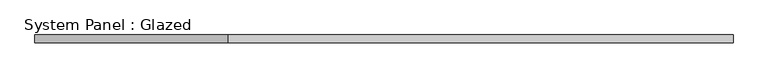
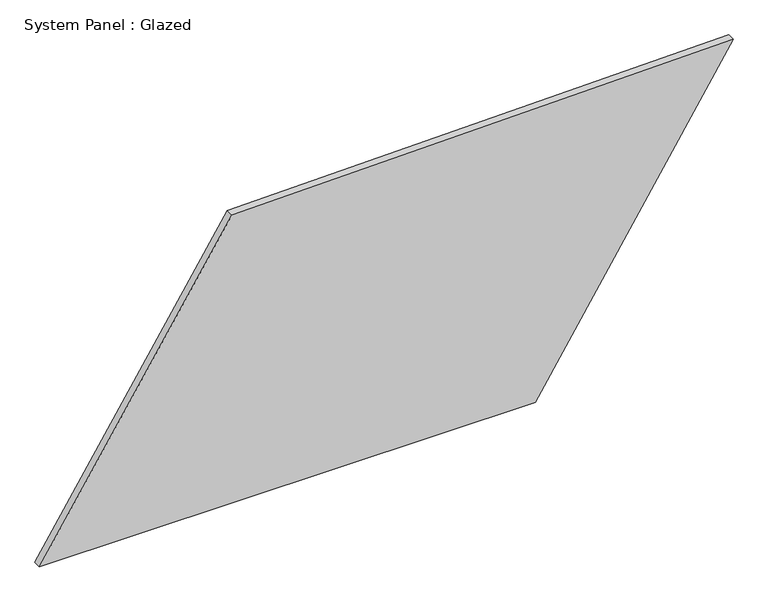
"""IFC4 building model written with IfcOpenShell, lengths in millimetres: plate geometry, System Panel : Glazed."""

from ifc_helpers import new_model, si_unit, frame, origin, place, context, project, spatial, polyline, outline, extrude, source, transform, mapped, element, save


def system_panel_glazed_098c83ca(model_context):
    return source(origin(), model_context, "Body", "SweptSolid", [
        extrude(outline(polyline([(0.0, -1108.1145041), (0.0, 476.7857498), (1006.7293955, 1108.1145041), (973.1531755, -493.6790786), (0.0, -1108.1145041)])), frame((0.0, -49.5, 0.0), z_axis=(0.0, 1.0, 0.0), x_axis=(0.0, 0.0, 1.0)), (0.0, 0.0, 1.0), 25.0),
    ])


if __name__ == "__main__":
    model = new_model("IFC4")
    model_context = context("Model", 3, world=origin())
    ifc_project = project(units=[si_unit("LENGTHUNIT", "METRE", prefix="MILLI")], contexts=[model_context])
    site = spatial("IfcSite", under=ifc_project)
    building = spatial("IfcBuilding", under=site)
    placement = place(None, origin())
    system_panel_glazed_shape = system_panel_glazed_098c83ca(model_context)
    element("IfcPlate", 1, ObjectType="System Panel : Glazed", at=placement, inside=building, context=model_context, shape_type="MappedRepresentation", body=[
        mapped(system_panel_glazed_shape, transform((0.0, 0.0, 0.0), x_axis=(1.0, 0.0, 0.0), y_axis=(0.0, 1.0, 0.0), z_axis=(0.0, 0.0, 1.0))),
    ])
    save(model, "model.ifc")
